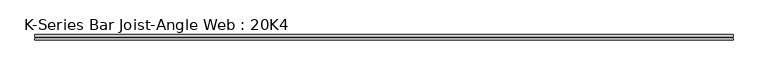
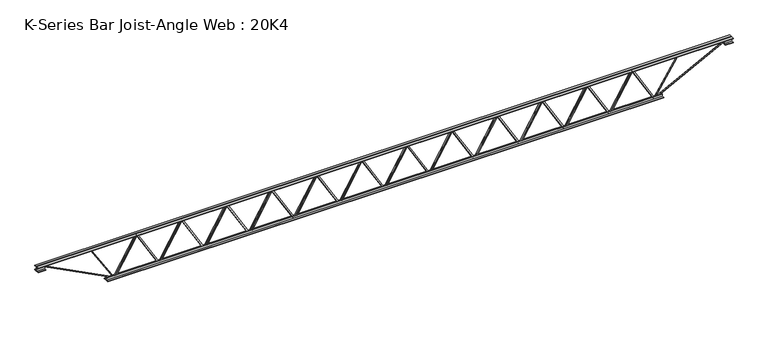
"""IFC4 building model written with IfcOpenShell, lengths in millimetres: beam geometry, K-Series Bar Joist-Angle Web : 20K4."""

from ifc_helpers import new_model, si_unit, frame, origin, place, context, project, spatial, polyline, outline, extrude, faceted_brep, source, transform, mapped, element, save


def k_series_bar_joist_angle_web_20k4_db2add79(model_context):
    return source(origin(), model_context, "Body", "SolidModel", [
        extrude(outline(polyline([(-4.7625, 4.7625), (-4.7625, 0.0), (-17.4625, 0.0), (-17.4625, 4.7625), (-4.7625, 4.7625)])), frame((2931.0070269, 0.0, -215.9), z_axis=(-0.5066895930677903, 0.0, 0.862128561339199), x_axis=(0.0, -1.0, 0.0)), (0.0, 0.0, 1.0), 500.8533754),
        extrude(outline(polyline([(-250.825, 2963.3333333), (-231.775, 2963.3333333), (-231.775, 2962.4335432), (250.825, 2678.8002099), (250.825, 2660.65), (231.775, 2660.65), (231.775, 2667.8997901), (-250.825, 2951.5331234), (-250.825, 2963.3333333)])), frame((0.0, 0.0, 0.0), z_axis=(0.0, 1.0, 0.0), x_axis=(0.0, 0.0, 1.0)), (0.0, 0.0, 1.0), 4.7625),
        faceted_brep([(2370.6666667, 0.0, -231.775), (2370.6666667, 0.0, -250.825), (2370.6666667, -4.7625, -250.825), (2370.6666667, -4.7625, -231.775), (2371.5664568, 0.0, -231.775), (2655.1997901, 0.0, 250.825), (2673.35, 0.0, 250.825), (2673.35, 0.0, 231.775), (2666.1002099, 0.0, 231.775), (2382.4668766, 0.0, -250.825), (2382.4668766, -4.7625, -250.825), (2402.9929731, -4.7625, -215.9), (2398.8870858, -4.7625, -213.4868908), (2652.6642788, -4.7625, 218.3131092), (2656.770166, -4.7625, 215.9), (2666.1002099, -4.7625, 231.775), (2673.35, -4.7625, 231.775), (2673.35, -4.7625, 250.825), (2655.1997901, -4.7625, 250.825), (2371.5664568, -4.7625, -231.775), (2656.770166, -17.4625, 215.9), (2402.9929731, -17.4625, -215.9), (2398.8870858, -17.4625, -213.4868908), (2652.6642788, -17.4625, 218.3131092)], [[[0, 1, 2, 3]], [[1, 0, 4, 5, 6, 7, 8, 9]], [[2, 1, 9, 10]], [[3, 2, 10, 11, 12, 13, 14, 15, 16, 17, 18, 19]], [[0, 3, 19, 4]], [[9, 8, 15, 14, 20, 21, 11, 10]], [[5, 4, 19, 18]], [[7, 6, 17, 16]], [[8, 7, 16, 15]], [[6, 5, 18, 17]], [[21, 22, 12, 11]], [[20, 14, 13, 23]], [[22, 21, 20, 23]], [[12, 22, 23, 13]]]),
        extrude(outline(polyline([(-4.7625, 4.7624999), (-4.7625, 0.0), (-17.4625, 0.0), (-17.4625, 4.7624999), (-4.7625, 4.7624999)])), frame((2338.3403603, 0.0, -215.9), z_axis=(-0.5066895930677903, 0.0, 0.862128561339199), x_axis=(0.0, -1.0, 0.0)), (0.0, 0.0, 1.0), 500.8533754),
        extrude(outline(polyline([(-250.825, 2370.6666667), (-231.775, 2370.6666667), (-231.775, 2369.7668766), (250.825, 2086.1335432), (250.825, 2067.9833333), (231.775, 2067.9833333), (231.775, 2075.2331234), (-250.825, 2358.8664568), (-250.825, 2370.6666667)])), frame((0.0, 0.0, 0.0), z_axis=(0.0, 1.0, 0.0), x_axis=(0.0, 0.0, 1.0)), (0.0, 0.0, 1.0), 4.7625),
        faceted_brep([(1778.0, 0.0, -231.775), (1778.0, 0.0, -250.825), (1778.0, -4.7625, -250.825), (1778.0, -4.7625, -231.775), (1778.8997901, 0.0, -231.775), (2062.5331234, 0.0, 250.825), (2080.6833333, 0.0, 250.825), (2080.6833333, 0.0, 231.775), (2073.4335432, 0.0, 231.775), (1789.8002099, 0.0, -250.825), (1789.8002099, -4.7625, -250.825), (1810.3263064, -4.7625, -215.9), (1806.2204191, -4.7625, -213.4868908), (2059.9976121, -4.7625, 218.3131092), (2064.1034994, -4.7625, 215.9), (2073.4335432, -4.7625, 231.775), (2080.6833333, -4.7625, 231.775), (2080.6833333, -4.7625, 250.825), (2062.5331234, -4.7625, 250.825), (1778.8997901, -4.7625, -231.775), (2064.1034994, -17.4625, 215.9), (1810.3263064, -17.4625, -215.9), (1806.2204191, -17.4625, -213.4868908), (2059.9976121, -17.4625, 218.3131092)], [[[0, 1, 2, 3]], [[1, 0, 4, 5, 6, 7, 8, 9]], [[2, 1, 9, 10]], [[3, 2, 10, 11, 12, 13, 14, 15, 16, 17, 18, 19]], [[0, 3, 19, 4]], [[9, 8, 15, 14, 20, 21, 11, 10]], [[5, 4, 19, 18]], [[7, 6, 17, 16]], [[8, 7, 16, 15]], [[6, 5, 18, 17]], [[21, 22, 12, 11]], [[20, 14, 13, 23]], [[22, 21, 20, 23]], [[12, 22, 23, 13]]]),
        extrude(outline(polyline([(-4.7625, 4.7625), (-4.7625, 0.0), (-17.4625, 0.0), (-17.4625, 4.7625), (-4.7625, 4.7625)])), frame((1745.6736936, 0.0, -215.9), z_axis=(-0.5066895930677903, 0.0, 0.862128561339199), x_axis=(0.0, -1.0, 0.0)), (0.0, 0.0, 1.0), 500.8533754),
        extrude(outline(polyline([(-250.825, 1778.0), (-231.775, 1778.0), (-231.775, 1777.1002099), (250.825, 1493.4668766), (250.825, 1475.3166667), (231.775, 1475.3166667), (231.775, 1482.5664568), (-250.825, 1766.1997901), (-250.825, 1778.0)])), frame((0.0, 0.0, 0.0), z_axis=(0.0, 1.0, 0.0), x_axis=(0.0, 0.0, 1.0)), (0.0, 0.0, 1.0), 4.7625),
        faceted_brep([(1185.3333333, 0.0, -231.775), (1185.3333333, 0.0, -250.825), (1185.3333333, -4.7625, -250.825), (1185.3333333, -4.7625, -231.775), (1186.2331234, 0.0, -231.775), (1469.8664568, 0.0, 250.825), (1488.0166667, 0.0, 250.825), (1488.0166667, 0.0, 231.775), (1480.7668766, 0.0, 231.775), (1197.1335432, 0.0, -250.825), (1197.1335432, -4.7625, -250.825), (1217.6596397, -4.7625, -215.9), (1213.5537525, -4.7625, -213.4868908), (1467.3309454, -4.7625, 218.3131092), (1471.4368327, -4.7625, 215.9), (1480.7668766, -4.7625, 231.775), (1488.0166667, -4.7625, 231.775), (1488.0166667, -4.7625, 250.825), (1469.8664568, -4.7625, 250.825), (1186.2331234, -4.7625, -231.775), (1471.4368327, -17.4625, 215.9), (1217.6596397, -17.4625, -215.9), (1213.5537525, -17.4625, -213.4868908), (1467.3309454, -17.4625, 218.3131092)], [[[0, 1, 2, 3]], [[1, 0, 4, 5, 6, 7, 8, 9]], [[2, 1, 9, 10]], [[3, 2, 10, 11, 12, 13, 14, 15, 16, 17, 18, 19]], [[0, 3, 19, 4]], [[9, 8, 15, 14, 20, 21, 11, 10]], [[5, 4, 19, 18]], [[7, 6, 17, 16]], [[8, 7, 16, 15]], [[6, 5, 18, 17]], [[21, 22, 12, 11]], [[20, 14, 13, 23]], [[22, 21, 20, 23]], [[12, 22, 23, 13]]]),
        extrude(outline(polyline([(-4.7625, 4.7625), (-4.7625, 0.0), (-17.4625, 0.0), (-17.4625, 4.7625), (-4.7625, 4.7625)])), frame((1153.0070269, 0.0, -215.9), z_axis=(-0.5066895930677903, 0.0, 0.862128561339199), x_axis=(0.0, -1.0, 0.0)), (0.0, 0.0, 1.0), 500.8533754),
        extrude(outline(polyline([(-250.825, 1185.3333333), (-231.775, 1185.3333333), (-231.775, 1184.4335432), (250.825, 900.8002099), (250.825, 882.65), (231.775, 882.65), (231.775, 889.8997901), (-250.825, 1173.5331234), (-250.825, 1185.3333333)])), frame((0.0, 0.0, 0.0), z_axis=(0.0, 1.0, 0.0), x_axis=(0.0, 0.0, 1.0)), (0.0, 0.0, 1.0), 4.7625),
        faceted_brep([(592.6666667, 0.0, -231.775), (592.6666667, 0.0, -250.825), (592.6666667, -4.7625, -250.825), (592.6666667, -4.7625, -231.775), (593.5664568, 0.0, -231.775), (877.1997901, 0.0, 250.825), (895.35, 0.0, 250.825), (895.35, 0.0, 231.775), (888.1002099, 0.0, 231.775), (604.4668766, 0.0, -250.825), (604.4668766, -4.7625, -250.825), (624.9929731, -4.7625, -215.9), (620.8870858, -4.7625, -213.4868908), (874.6642788, -4.7625, 218.3131092), (878.770166, -4.7625, 215.9), (888.1002099, -4.7625, 231.775), (895.35, -4.7625, 231.775), (895.35, -4.7625, 250.825), (877.1997901, -4.7625, 250.825), (593.5664568, -4.7625, -231.775), (878.770166, -17.4625, 215.9), (624.9929731, -17.4625, -215.9), (620.8870858, -17.4625, -213.4868908), (874.6642788, -17.4625, 218.3131092)], [[[0, 1, 2, 3]], [[1, 0, 4, 5, 6, 7, 8, 9]], [[2, 1, 9, 10]], [[3, 2, 10, 11, 12, 13, 14, 15, 16, 17, 18, 19]], [[0, 3, 19, 4]], [[9, 8, 15, 14, 20, 21, 11, 10]], [[5, 4, 19, 18]], [[7, 6, 17, 16]], [[8, 7, 16, 15]], [[6, 5, 18, 17]], [[21, 22, 12, 11]], [[20, 14, 13, 23]], [[22, 21, 20, 23]], [[12, 22, 23, 13]]]),
        extrude(outline(polyline([(-4.7625, 4.7624999), (-4.7625, 0.0), (-17.4625, 0.0), (-17.4625, 4.7624999), (-4.7625, 4.7624999)])), frame((560.3403603, 0.0, -215.9), z_axis=(-0.5066895930677903, 0.0, 0.862128561339199), x_axis=(0.0, -1.0, 0.0)), (0.0, 0.0, 1.0), 500.8533754),
        extrude(outline(polyline([(-250.825, 592.6666667), (-231.775, 592.6666667), (-231.775, 591.7668766), (250.825, 308.1335432), (250.825, 289.9833333), (231.775, 289.9833333), (231.775, 297.2331234), (-250.825, 580.8664568), (-250.825, 592.6666667)])), frame((0.0, 0.0, 0.0), z_axis=(0.0, 1.0, 0.0), x_axis=(0.0, 0.0, 1.0)), (0.0, 0.0, 1.0), 4.7625),
        faceted_brep([(0.0, 0.0, -231.775), (0.0, 0.0, -250.825), (0.0, -4.7625, -250.825), (0.0, -4.7625, -231.775), (0.8997901, 0.0, -231.775), (284.5331234, 0.0, 250.825), (302.6833333, 0.0, 250.825), (302.6833333, 0.0, 231.775), (295.4335432, 0.0, 231.775), (11.8002099, 0.0, -250.825), (11.8002099, -4.7625, -250.825), (32.3263064, -4.7625, -215.9), (28.2204191, -4.7625, -213.4868908), (281.9976121, -4.7625, 218.3131092), (286.1034994, -4.7625, 215.9), (295.4335432, -4.7625, 231.775), (302.6833333, -4.7625, 231.775), (302.6833333, -4.7625, 250.825), (284.5331234, -4.7625, 250.825), (0.8997901, -4.7625, -231.775), (286.1034994, -17.4625, 215.9), (32.3263064, -17.4625, -215.9), (28.2204191, -17.4625, -213.4868908), (281.9976121, -17.4625, 218.3131092)], [[[0, 1, 2, 3]], [[1, 0, 4, 5, 6, 7, 8, 9]], [[2, 1, 9, 10]], [[3, 2, 10, 11, 12, 13, 14, 15, 16, 17, 18, 19]], [[0, 3, 19, 4]], [[9, 8, 15, 14, 20, 21, 11, 10]], [[5, 4, 19, 18]], [[7, 6, 17, 16]], [[8, 7, 16, 15]], [[6, 5, 18, 17]], [[21, 22, 12, 11]], [[20, 14, 13, 23]], [[22, 21, 20, 23]], [[12, 22, 23, 13]]]),
        extrude(outline(polyline([(-4.7625, 4.7625), (-4.7625, 0.0), (-17.4625, 0.0), (-17.4625, 4.7625), (-4.7625, 4.7625)])), frame((-32.3263064, 0.0, -215.9), z_axis=(-0.5066895930677903, 0.0, 0.862128561339199), x_axis=(0.0, -1.0, 0.0)), (0.0, 0.0, 1.0), 500.8533754),
        extrude(outline(polyline([(-250.825, 0.0), (-231.775, 0.0), (-231.775, -0.8997901), (250.825, -284.5331234), (250.825, -302.6833333), (231.775, -302.6833333), (231.775, -295.4335432), (-250.825, -11.8002099), (-250.825, 0.0)])), frame((0.0, 0.0, 0.0), z_axis=(0.0, 1.0, 0.0), x_axis=(0.0, 0.0, 1.0)), (0.0, 0.0, 1.0), 4.7625),
        faceted_brep([(-592.6666667, 0.0, -231.775), (-592.6666667, 0.0, -250.825), (-592.6666667, -4.7625, -250.825), (-592.6666667, -4.7625, -231.775), (-591.7668766, 0.0, -231.775), (-308.1335432, 0.0, 250.825), (-289.9833333, 0.0, 250.825), (-289.9833333, 0.0, 231.775), (-297.2331234, 0.0, 231.775), (-580.8664568, 0.0, -250.825), (-580.8664568, -4.7625, -250.825), (-560.3403603, -4.7625, -215.9), (-564.4462475, -4.7625, -213.4868908), (-310.6690546, -4.7625, 218.3131092), (-306.5631673, -4.7625, 215.9), (-297.2331234, -4.7625, 231.775), (-289.9833333, -4.7625, 231.775), (-289.9833333, -4.7625, 250.825), (-308.1335432, -4.7625, 250.825), (-591.7668766, -4.7625, -231.775), (-306.5631673, -17.4625, 215.9), (-560.3403603, -17.4625, -215.9), (-564.4462475, -17.4625, -213.4868908), (-310.6690546, -17.4625, 218.3131092)], [[[0, 1, 2, 3]], [[1, 0, 4, 5, 6, 7, 8, 9]], [[2, 1, 9, 10]], [[3, 2, 10, 11, 12, 13, 14, 15, 16, 17, 18, 19]], [[0, 3, 19, 4]], [[9, 8, 15, 14, 20, 21, 11, 10]], [[5, 4, 19, 18]], [[7, 6, 17, 16]], [[8, 7, 16, 15]], [[6, 5, 18, 17]], [[21, 22, 12, 11]], [[20, 14, 13, 23]], [[22, 21, 20, 23]], [[12, 22, 23, 13]]]),
        extrude(outline(polyline([(-4.7625, 4.7625), (-4.7625, 0.0), (-17.4625, 0.0), (-17.4625, 4.7625), (-4.7625, 4.7625)])), frame((-624.9929731, 0.0, -215.9), z_axis=(-0.5066895930677903, 0.0, 0.862128561339199), x_axis=(0.0, -1.0, 0.0)), (0.0, 0.0, 1.0), 500.8533754),
        extrude(outline(polyline([(-250.825, -592.6666667), (-231.775, -592.6666667), (-231.775, -593.5664568), (250.825, -877.1997901), (250.825, -895.35), (231.775, -895.35), (231.775, -888.1002099), (-250.825, -604.4668766), (-250.825, -592.6666667)])), frame((0.0, 0.0, 0.0), z_axis=(0.0, 1.0, 0.0), x_axis=(0.0, 0.0, 1.0)), (0.0, 0.0, 1.0), 4.7625),
        faceted_brep([(-1185.3333333, 0.0, -231.775), (-1185.3333333, 0.0, -250.825), (-1185.3333333, -4.7625, -250.825), (-1185.3333333, -4.7625, -231.775), (-1184.4335432, 0.0, -231.775), (-900.8002099, 0.0, 250.825), (-882.65, 0.0, 250.825), (-882.65, 0.0, 231.775), (-889.8997901, 0.0, 231.775), (-1173.5331234, 0.0, -250.825), (-1173.5331234, -4.7625, -250.825), (-1153.0070269, -4.7625, -215.9), (-1157.1129142, -4.7625, -213.4868908), (-903.3357212, -4.7625, 218.3131092), (-899.229834, -4.7625, 215.9), (-889.8997901, -4.7625, 231.775), (-882.65, -4.7625, 231.775), (-882.65, -4.7625, 250.825), (-900.8002099, -4.7625, 250.825), (-1184.4335432, -4.7625, -231.775), (-899.229834, -17.4625, 215.9), (-1153.0070269, -17.4625, -215.9), (-1157.1129142, -17.4625, -213.4868908), (-903.3357212, -17.4625, 218.3131092)], [[[0, 1, 2, 3]], [[1, 0, 4, 5, 6, 7, 8, 9]], [[2, 1, 9, 10]], [[3, 2, 10, 11, 12, 13, 14, 15, 16, 17, 18, 19]], [[0, 3, 19, 4]], [[9, 8, 15, 14, 20, 21, 11, 10]], [[5, 4, 19, 18]], [[7, 6, 17, 16]], [[8, 7, 16, 15]], [[6, 5, 18, 17]], [[21, 22, 12, 11]], [[20, 14, 13, 23]], [[22, 21, 20, 23]], [[12, 22, 23, 13]]]),
        extrude(outline(polyline([(-4.7625, 4.7624999), (-4.7625, 0.0), (-17.4625, 0.0), (-17.4625, 4.7624999), (-4.7625, 4.7624999)])), frame((-1217.6596397, 0.0, -215.9), z_axis=(-0.5066895930677903, 0.0, 0.862128561339199), x_axis=(0.0, -1.0, 0.0)), (0.0, 0.0, 1.0), 500.8533754),
        extrude(outline(polyline([(-250.825, -1185.3333333), (-231.775, -1185.3333333), (-231.775, -1186.2331234), (250.825, -1469.8664568), (250.825, -1488.0166667), (231.775, -1488.0166667), (231.775, -1480.7668766), (-250.825, -1197.1335432), (-250.825, -1185.3333333)])), frame((0.0, 0.0, 0.0), z_axis=(0.0, 1.0, 0.0), x_axis=(0.0, 0.0, 1.0)), (0.0, 0.0, 1.0), 4.7625),
        faceted_brep([(-1778.0, 0.0, -231.775), (-1778.0, 0.0, -250.825), (-1778.0, -4.7625, -250.825), (-1778.0, -4.7625, -231.775), (-1777.1002099, 0.0, -231.775), (-1493.4668766, 0.0, 250.825), (-1475.3166667, 0.0, 250.825), (-1475.3166667, 0.0, 231.775), (-1482.5664568, 0.0, 231.775), (-1766.1997901, 0.0, -250.825), (-1766.1997901, -4.7625, -250.825), (-1745.6736936, -4.7625, -215.9), (-1749.7795809, -4.7625, -213.4868908), (-1496.0023879, -4.7625, 218.3131092), (-1491.8965006, -4.7625, 215.9), (-1482.5664568, -4.7625, 231.775), (-1475.3166667, -4.7625, 231.775), (-1475.3166667, -4.7625, 250.825), (-1493.4668766, -4.7625, 250.825), (-1777.1002099, -4.7625, -231.775), (-1491.8965006, -17.4625, 215.9), (-1745.6736936, -17.4625, -215.9), (-1749.7795809, -17.4625, -213.4868908), (-1496.0023879, -17.4625, 218.3131092)], [[[0, 1, 2, 3]], [[1, 0, 4, 5, 6, 7, 8, 9]], [[2, 1, 9, 10]], [[3, 2, 10, 11, 12, 13, 14, 15, 16, 17, 18, 19]], [[0, 3, 19, 4]], [[9, 8, 15, 14, 20, 21, 11, 10]], [[5, 4, 19, 18]], [[7, 6, 17, 16]], [[8, 7, 16, 15]], [[6, 5, 18, 17]], [[21, 22, 12, 11]], [[20, 14, 13, 23]], [[22, 21, 20, 23]], [[12, 22, 23, 13]]]),
        extrude(outline(polyline([(-4.7625, 4.7625), (-4.7625, 0.0), (-17.4625, 0.0), (-17.4625, 4.7625), (-4.7625, 4.7625)])), frame((-1810.3263064, 0.0, -215.9), z_axis=(-0.5066895930677903, 0.0, 0.862128561339199), x_axis=(0.0, -1.0, 0.0)), (0.0, 0.0, 1.0), 500.8533754),
        extrude(outline(polyline([(-250.825, -1778.0), (-231.775, -1778.0), (-231.775, -1778.8997901), (250.825, -2062.5331234), (250.825, -2080.6833333), (231.775, -2080.6833333), (231.775, -2073.4335432), (-250.825, -1789.8002099), (-250.825, -1778.0)])), frame((0.0, 0.0, 0.0), z_axis=(0.0, 1.0, 0.0), x_axis=(0.0, 0.0, 1.0)), (0.0, 0.0, 1.0), 4.7625),
        faceted_brep([(-2370.6666667, 0.0, -231.775), (-2370.6666667, 0.0, -250.825), (-2370.6666667, -4.7625, -250.825), (-2370.6666667, -4.7625, -231.775), (-2369.7668766, 0.0, -231.775), (-2086.1335432, 0.0, 250.825), (-2067.9833333, 0.0, 250.825), (-2067.9833333, 0.0, 231.775), (-2075.2331234, 0.0, 231.775), (-2358.8664568, 0.0, -250.825), (-2358.8664568, -4.7625, -250.825), (-2338.3403603, -4.7625, -215.9), (-2342.4462475, -4.7625, -213.4868908), (-2088.6690546, -4.7625, 218.3131092), (-2084.5631673, -4.7625, 215.9), (-2075.2331234, -4.7625, 231.775), (-2067.9833333, -4.7625, 231.775), (-2067.9833333, -4.7625, 250.825), (-2086.1335432, -4.7625, 250.825), (-2369.7668766, -4.7625, -231.775), (-2084.5631673, -17.4625, 215.9), (-2338.3403603, -17.4625, -215.9), (-2342.4462475, -17.4625, -213.4868908), (-2088.6690546, -17.4625, 218.3131092)], [[[0, 1, 2, 3]], [[1, 0, 4, 5, 6, 7, 8, 9]], [[2, 1, 9, 10]], [[3, 2, 10, 11, 12, 13, 14, 15, 16, 17, 18, 19]], [[0, 3, 19, 4]], [[9, 8, 15, 14, 20, 21, 11, 10]], [[5, 4, 19, 18]], [[7, 6, 17, 16]], [[8, 7, 16, 15]], [[6, 5, 18, 17]], [[21, 22, 12, 11]], [[20, 14, 13, 23]], [[22, 21, 20, 23]], [[12, 22, 23, 13]]]),
        extrude(outline(polyline([(-4.7625, 4.7625), (-4.7625, 0.0), (-17.4625, 0.0), (-17.4625, 4.7625), (-4.7625, 4.7625)])), frame((-2402.9929731, 0.0, -215.9), z_axis=(-0.5066895930677903, 0.0, 0.862128561339199), x_axis=(0.0, -1.0, 0.0)), (0.0, 0.0, 1.0), 500.8533754),
        extrude(outline(polyline([(-250.825, -2370.6666667), (-231.775, -2370.6666667), (-231.775, -2371.5664568), (250.825, -2655.1997901), (250.825, -2673.35), (231.775, -2673.35), (231.775, -2666.1002099), (-250.825, -2382.4668766), (-250.825, -2370.6666667)])), frame((0.0, 0.0, 0.0), z_axis=(0.0, 1.0, 0.0), x_axis=(0.0, 0.0, 1.0)), (0.0, 0.0, 1.0), 4.7625),
        faceted_brep([(-2963.3333333, 0.0, -231.775), (-2963.3333333, 0.0, -250.825), (-2963.3333333, -4.7625, -250.825), (-2963.3333333, -4.7625, -231.775), (-2962.4335432, 0.0, -231.775), (-2678.8002099, 0.0, 250.825), (-2660.65, 0.0, 250.825), (-2660.65, 0.0, 231.775), (-2667.8997901, 0.0, 231.775), (-2951.5331234, 0.0, -250.825), (-2951.5331234, -4.7625, -250.825), (-2931.0070269, -4.7625, -215.9), (-2935.1129142, -4.7625, -213.4868908), (-2681.3357212, -4.7625, 218.3131092), (-2677.229834, -4.7625, 215.9), (-2667.8997901, -4.7625, 231.775), (-2660.65, -4.7625, 231.775), (-2660.65, -4.7625, 250.825), (-2678.8002099, -4.7625, 250.825), (-2962.4335432, -4.7625, -231.775), (-2677.229834, -17.4625, 215.9), (-2931.0070269, -17.4625, -215.9), (-2935.1129142, -17.4625, -213.4868908), (-2681.3357212, -17.4625, 218.3131092)], [[[0, 1, 2, 3]], [[1, 0, 4, 5, 6, 7, 8, 9]], [[2, 1, 9, 10]], [[3, 2, 10, 11, 12, 13, 14, 15, 16, 17, 18, 19]], [[0, 3, 19, 4]], [[9, 8, 15, 14, 20, 21, 11, 10]], [[5, 4, 19, 18]], [[7, 6, 17, 16]], [[8, 7, 16, 15]], [[6, 5, 18, 17]], [[21, 22, 12, 11]], [[20, 14, 13, 23]], [[22, 21, 20, 23]], [[12, 22, 23, 13]]]),
        extrude(outline(polyline([(-4.7625, 4.7625), (-4.7625, 0.0), (-17.4625, 0.0), (-17.4625, 4.7625), (-4.7625, 4.7625)])), frame((3523.6736936, 0.0, -215.9), z_axis=(-0.5066895930677903, 0.0, 0.862128561339199), x_axis=(0.0, -1.0, 0.0)), (0.0, 0.0, 1.0), 500.8533754),
        extrude(outline(polyline([(-250.825, 3556.0), (-231.775, 3556.0), (-231.775, 3555.1002099), (250.825, 3271.4668766), (250.825, 3253.3166667), (231.775, 3253.3166667), (231.775, 3260.5664568), (-250.825, 3544.1997901), (-250.825, 3556.0)])), frame((0.0, 0.0, 0.0), z_axis=(0.0, 1.0, 0.0), x_axis=(0.0, 0.0, 1.0)), (0.0, 0.0, 1.0), 4.7625),
        faceted_brep([(2963.3333333, 0.0, -231.775), (2963.3333333, 0.0, -250.825), (2963.3333333, -4.7625, -250.825), (2963.3333333, -4.7625, -231.775), (2964.2331234, 0.0, -231.775), (3247.8664568, 0.0, 250.825), (3266.0166667, 0.0, 250.825), (3266.0166667, 0.0, 231.775), (3258.7668766, 0.0, 231.775), (2975.1335432, 0.0, -250.825), (2975.1335432, -4.7625, -250.825), (2995.6596397, -4.7625, -215.9), (2991.5537525, -4.7625, -213.4868908), (3245.3309454, -4.7625, 218.3131092), (3249.4368327, -4.7625, 215.9), (3258.7668766, -4.7625, 231.775), (3266.0166667, -4.7625, 231.775), (3266.0166667, -4.7625, 250.825), (3247.8664568, -4.7625, 250.825), (2964.2331234, -4.7625, -231.775), (3249.4368327, -17.4625, 215.9), (2995.6596397, -17.4625, -215.9), (2991.5537525, -17.4625, -213.4868908), (3245.3309454, -17.4625, 218.3131092)], [[[0, 1, 2, 3]], [[1, 0, 4, 5, 6, 7, 8, 9]], [[2, 1, 9, 10]], [[3, 2, 10, 11, 12, 13, 14, 15, 16, 17, 18, 19]], [[0, 3, 19, 4]], [[9, 8, 15, 14, 20, 21, 11, 10]], [[5, 4, 19, 18]], [[7, 6, 17, 16]], [[8, 7, 16, 15]], [[6, 5, 18, 17]], [[21, 22, 12, 11]], [[20, 14, 13, 23]], [[22, 21, 20, 23]], [[12, 22, 23, 13]]]),
        extrude(outline(polyline([(-4.7625, 4.7624999), (-4.7625, 0.0), (-17.4625, 0.0), (-17.4625, 4.7624999), (-4.7625, 4.7624999)])), frame((-2995.6596397, 0.0, -215.9), z_axis=(-0.5066895930677903, 0.0, 0.862128561339199), x_axis=(0.0, -1.0, 0.0)), (0.0, 0.0, 1.0), 500.8533754),
        extrude(outline(polyline([(-250.825, -2963.3333333), (-231.775, -2963.3333333), (-231.775, -2964.2331234), (250.825, -3247.8664568), (250.825, -3266.0166667), (231.775, -3266.0166667), (231.775, -3258.7668766), (-250.825, -2975.1335432), (-250.825, -2963.3333333)])), frame((0.0, 0.0, 0.0), z_axis=(0.0, 1.0, 0.0), x_axis=(0.0, 0.0, 1.0)), (0.0, 0.0, 1.0), 4.7625),
        faceted_brep([(-3556.0, 0.0, -231.775), (-3556.0, 0.0, -250.825), (-3556.0, -4.7625, -250.825), (-3556.0, -4.7625, -231.775), (-3555.1002099, 0.0, -231.775), (-3271.4668766, 0.0, 250.825), (-3253.3166667, 0.0, 250.825), (-3253.3166667, 0.0, 231.775), (-3260.5664568, 0.0, 231.775), (-3544.1997901, 0.0, -250.825), (-3544.1997901, -4.7625, -250.825), (-3523.6736936, -4.7625, -215.9), (-3527.7795809, -4.7625, -213.4868908), (-3274.0023879, -4.7625, 218.3131092), (-3269.8965006, -4.7625, 215.9), (-3260.5664568, -4.7625, 231.775), (-3253.3166667, -4.7625, 231.775), (-3253.3166667, -4.7625, 250.825), (-3271.4668766, -4.7625, 250.825), (-3555.1002099, -4.7625, -231.775), (-3269.8965006, -17.4625, 215.9), (-3523.6736936, -17.4625, -215.9), (-3527.7795809, -17.4625, -213.4868908), (-3274.0023879, -17.4625, 218.3131092)], [[[0, 1, 2, 3]], [[1, 0, 4, 5, 6, 7, 8, 9]], [[2, 1, 9, 10]], [[3, 2, 10, 11, 12, 13, 14, 15, 16, 17, 18, 19]], [[0, 3, 19, 4]], [[9, 8, 15, 14, 20, 21, 11, 10]], [[5, 4, 19, 18]], [[7, 6, 17, 16]], [[8, 7, 16, 15]], [[6, 5, 18, 17]], [[21, 22, 12, 11]], [[20, 14, 13, 23]], [[22, 21, 20, 23]], [[12, 22, 23, 13]]]),
        extrude(outline(polyline([(4.7625, 254.0), (36.5125, 254.0), (36.5125, 247.65), (11.1125, 247.65), (11.1125, 222.25), (4.7625, 222.25), (4.7625, 254.0)])), frame((-4572.0, 0.0, 0.0), z_axis=(1.0, 0.0, 0.0), x_axis=(0.0, 1.0, 0.0)), (0.0, 0.0, 1.0), 9144.0),
        extrude(outline(polyline([(-4.7625, 254.0), (-4.7625, 222.25), (-11.1125, 222.25), (-11.1125, 247.65), (-36.5125, 247.65), (-36.5125, 254.0), (-4.7625, 254.0)])), frame((-4572.0, 0.0, 0.0), z_axis=(1.0, 0.0, 0.0), x_axis=(0.0, 1.0, 0.0)), (0.0, 0.0, 1.0), 9144.0),
        extrude(outline(polyline([(-4.7625, 190.5), (-36.5125, 190.5), (-36.5125, 196.85), (-11.1125, 196.85), (-11.1125, 222.25), (-4.7625, 222.25), (-4.7625, 190.5)])), frame((-4572.0, 0.0, 0.0), z_axis=(1.0, 0.0, 0.0), x_axis=(0.0, 1.0, 0.0)), (0.0, 0.0, 1.0), 101.6),
        extrude(outline(polyline([(36.5125, 190.5), (4.7625, 190.5), (4.7625, 222.25), (11.1125, 222.25), (11.1125, 196.85), (36.5125, 196.85), (36.5125, 190.5)])), frame((-4572.0, 0.0, 0.0), z_axis=(1.0, 0.0, 0.0), x_axis=(0.0, 1.0, 0.0)), (0.0, 0.0, 1.0), 101.6),
        extrude(outline(polyline([(4.7625, 190.5), (4.7625, 222.25), (11.1125, 222.25), (11.1125, 196.85), (36.5125, 196.85), (36.5125, 190.5), (4.7625, 190.5)])), frame((4470.4, 0.0, 0.0), z_axis=(1.0, 0.0, 0.0), x_axis=(0.0, 1.0, 0.0)), (0.0, 0.0, 1.0), 101.6),
        extrude(outline(polyline([(-4.7625, 190.5), (-36.5125, 190.5), (-36.5125, 196.85), (-11.1125, 196.85), (-11.1125, 222.25), (-4.7625, 222.25), (-4.7625, 190.5)])), frame((4470.4, 0.0, 0.0), z_axis=(1.0, 0.0, 0.0), x_axis=(0.0, 1.0, 0.0)), (0.0, 0.0, 1.0), 101.6),
        extrude(outline(polyline([(4.7625, -254.0), (4.7625, -222.25), (11.1125, -222.25), (11.1125, -247.65), (36.5125, -247.65), (36.5125, -254.0), (4.7625, -254.0)])), frame((-3657.6, 0.0, 0.0), z_axis=(1.0, 0.0, 0.0), x_axis=(0.0, 1.0, 0.0)), (0.0, 0.0, 1.0), 7315.2),
        extrude(outline(polyline([(-4.7625, -254.0), (-36.5125, -254.0), (-36.5125, -247.65), (-11.1125, -247.65), (-11.1125, -222.25), (-4.7625, -222.25), (-4.7625, -254.0)])), frame((-3657.6, 0.0, 0.0), z_axis=(1.0, 0.0, 0.0), x_axis=(0.0, 1.0, 0.0)), (0.0, 0.0, 1.0), 7315.2),
        extrude(outline(polyline([(4.7625, 4.7625), (4.7625, -4.7625), (-4.7625, -4.7625), (-4.7625, 4.7625), (4.7625, 4.7625)])), frame((3556.0, 0.0, -247.65), z_axis=(0.5334194615243448, 0.0, 0.845850860416349), x_axis=(0.0, -1.0, 0.0)), (0.0, 0.0, 1.0), 555.5352864),
        extrude(outline(polyline([(4.7625, 4.7625), (4.7625, -4.7625), (-4.7625, -4.7625), (-4.7625, 4.7625), (4.7625, 4.7625)])), frame((-3556.0, 0.0, -247.65), z_axis=(-0.5334194615243227, 0.0, 0.845850860416363), x_axis=(0.0, -1.0, 0.0)), (0.0, 0.0, 1.0), 555.5352864),
        extrude(outline(polyline([(0.0, -9.525), (0.0, 0.0), (1028.0726482, 0.0), (1028.0726482, -9.525), (0.0, -9.525)])), frame((4472.5767905, -4.7625, 218.0140834), z_axis=(-0.4570688665020413, 0.0, 0.8894313077885999), x_axis=(-0.8894313077885999, 0.0, -0.4570688665020413)), (0.0, 0.0, 1.0), 9.525),
        extrude(outline(polyline([(0.0, -9.525), (0.0, 0.0), (1028.0726482, 0.0), (1028.0726482, -9.525), (0.0, -9.525)])), frame((-4472.5767905, 4.7625, 218.0140834), z_axis=(0.4570688665020401, 0.0, 0.8894313077886005), x_axis=(0.8894313077886005, 0.0, -0.4570688665020401)), (0.0, 0.0, 1.0), 9.525),
    ])


if __name__ == "__main__":
    model = new_model("IFC4")
    model_context = context("Model", 3, world=origin())
    ifc_project = project(units=[si_unit("LENGTHUNIT", "METRE", prefix="MILLI")], contexts=[model_context])
    site = spatial("IfcSite", under=ifc_project)
    building = spatial("IfcBuilding", under=site)
    placement = place(None, origin())
    k_series_bar_joist_angle_web_20k4_shape = k_series_bar_joist_angle_web_20k4_db2add79(model_context)
    element("IfcBeam", 1, ObjectType="K-Series Bar Joist-Angle Web : 20K4", at=placement, inside=building, context=model_context, shape_type="MappedRepresentation", body=[
        mapped(k_series_bar_joist_angle_web_20k4_shape, transform((0.0, 0.0, 0.0), x_axis=(1.0, 0.0, 0.0), y_axis=(0.0, 1.0, 0.0), z_axis=(0.0, 0.0, 1.0))),
    ])
    save(model, "model.ifc")
